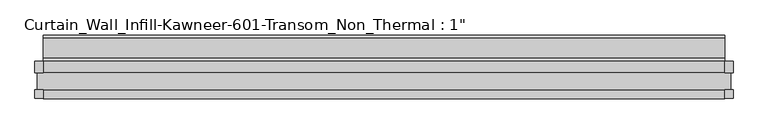
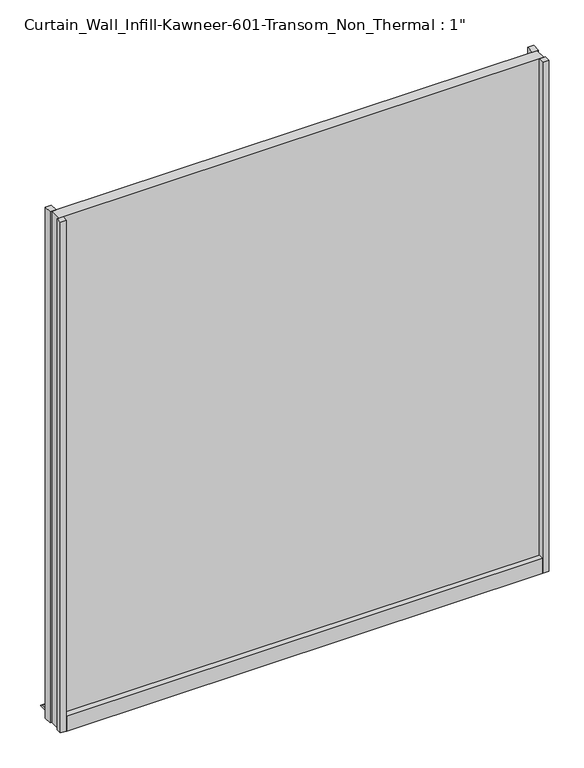
"""IFC4 building model written with IfcOpenShell, lengths in millimetres: plate geometry."""

from ifc_helpers import new_model, si_unit, frame, origin, origin_with_axes, place, context, project, spatial, polyline, outline, extrude, source, transform, mapped, element, save


def plate_bf1e4846(model_context):
    return source(origin(), model_context, "Body", "SweptSolid", [
        extrude(outline(polyline([(508.58246, -25.2723869), (508.58246, -12.7), (521.28246, -12.7), (521.28246, -25.2723869), (508.58246, -25.2723869)])), origin_with_axes(), (0.0, 0.0, 1.0), 1152.5091611),
        extrude(outline(polyline([(521.28246, 30.2901131), (521.28246, 12.7), (508.58246, 12.7), (508.58246, 30.2901131), (521.28246, 30.2901131)])), origin_with_axes(), (0.0, 0.0, 1.0), 1152.5091611),
        extrude(outline(polyline([(-508.58246, -25.2723869), (-521.28246, -25.2723869), (-521.28246, -12.7), (-508.58246, -12.7), (-508.58246, -25.2723869)])), origin_with_axes(), (0.0, 0.0, 1.0), 1152.5091611),
        extrude(outline(polyline([(-521.28246, 30.2901131), (-508.58246, 30.2901131), (-508.58246, 12.7), (-521.28246, 12.7), (-521.28246, 30.2901131)])), origin_with_axes(), (0.0, 0.0, 1.0), 1152.5091611),
        extrude(outline(polyline([(-12.7, 33.3375), (-12.7, 23.8125), (12.7, 23.8125), (12.7, 33.3375), (30.2435382, 33.3375), (30.2435382, 6.3122662), (34.9431706, 3.7072174), (64.5512788, 3.7072174), (69.3036182, 0.963453), (69.3036182, 0.0), (-25.625216, 0.0), (-25.625216, 33.3375), (-12.7, 33.3375)])), frame((-508.58246, 0.0, 0.0), z_axis=(1.0, 0.0, 0.0), x_axis=(0.0, 1.0, 0.0)), (0.0, 0.0, 1.0), 1017.16492),
        extrude(outline(polyline([(-518.10746, -12.7), (-518.10746, 12.7), (518.10746, 12.7), (518.10746, -12.7), (-518.10746, -12.7)])), origin_with_axes(), (0.0, 0.0, 1.0), 1152.5091611),
    ])


if __name__ == "__main__":
    model = new_model("IFC4")
    model_context = context("Model", 3, world=origin())
    ifc_project = project(units=[si_unit("LENGTHUNIT", "METRE", prefix="MILLI")], contexts=[model_context])
    site = spatial("IfcSite", under=ifc_project)
    building = spatial("IfcBuilding", under=site)
    placement = place(None, origin())
    plate_shape = plate_bf1e4846(model_context)
    element("IfcPlate", 1, ObjectType="Curtain_Wall_Infill-Kawneer-601-Transom_Non_Thermal : 1\"", at=placement, inside=building, context=model_context, shape_type="MappedRepresentation", body=[
        mapped(plate_shape, transform((0.0, 0.0, 0.0), x_axis=(1.0, 0.0, 0.0), y_axis=(0.0, 1.0, 0.0), z_axis=(0.0, 0.0, 1.0))),
    ])
    save(model, "model.ifc")
